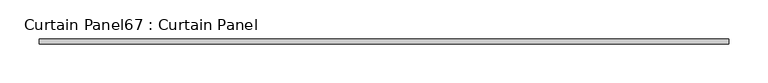
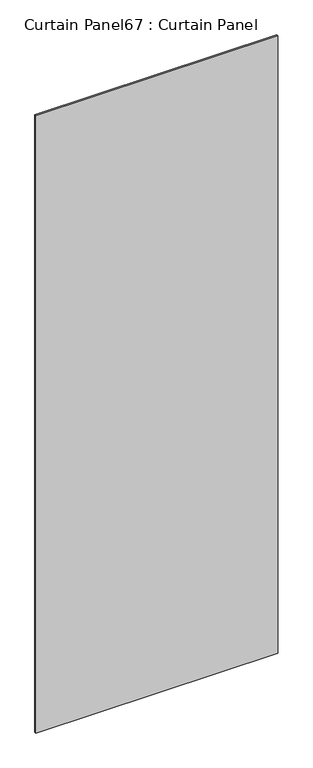
"""IFC4 building model written with IfcOpenShell, lengths in millimetres: plate geometry, Curtain Panel67 : Curtain Panel."""

import ifcopenshell
import ifcopenshell.guid

model = None  # the IFC model being written
_history = None  # IfcOwnerHistory: only IFC2X3 demands one
_inside = {}  # id of a spatial element -> (the spatial element, [elements in it])
_under = {}  # id of a project, library or spatial element -> (it, [spatial elements below it])
_declared = {}  # id of a project -> (the project, [libraries it declares])
_typed = {}  # id of a type object -> (the type object, [elements of that type])
_made_of = {}  # id of a material, layer set ... -> (it, [elements and type objects made of it])


def new_model(schema):
    """Start an empty IFC model of exactly this schema.

    Asked for "IFC4X3", IfcOpenShell would pick the latest addendum, in which some entities
    have other attributes; the version numbers below select the first issue.
    IFC2X3 requires an IfcOwnerHistory on every rooted entity: one is made here for all.
    """
    global model, _history
    if schema == "IFC4X3":
        model = ifcopenshell.file(schema_version=(4, 3, 0, 0))
    else:
        model = ifcopenshell.file(schema=schema)
    _inside.clear()
    _under.clear()
    _declared.clear()
    _typed.clear()
    _made_of.clear()
    _history = None
    if model.schema == "IFC2X3":
        org = make("IfcOrganization", Name="unknown")
        user = make(
            "IfcPersonAndOrganization",
            ThePerson=make("IfcPerson", FamilyName="unknown"),
            TheOrganization=org,
        )
        app = make(
            "IfcApplication",
            ApplicationDeveloper=org,
            Version="unknown",
            ApplicationFullName="unknown",
            ApplicationIdentifier="unknown",
        )
        _history = make(
            "IfcOwnerHistory",
            OwningUser=user,
            OwningApplication=app,
            ChangeAction="ADDED",
            CreationDate=0,
        )
    return model


def make(cls, **values):
    """One entity of the class cls with the attributes given. An attribute that is None is left unset."""
    return model.create_entity(
        cls, **{name: value for name, value in values.items() if value is not None}
    )


def rooted(cls, **values):
    """An entity with a GlobalId (a new one), such as an element, a storey or a relation."""
    return make(cls, GlobalId=ifcopenshell.guid.new(), OwnerHistory=_history, **values)


def si_unit(unit_type, name, prefix=None):
    """IfcSIUnit, for example si_unit("LENGTHUNIT", "METRE", prefix="MILLI")."""
    return make("IfcSIUnit", UnitType=unit_type, Prefix=prefix, Name=name)


def assignment(units):
    """IfcUnitAssignment: the units of a project."""
    return None if units is None else make("IfcUnitAssignment", Units=units)


def point(xyz):
    """IfcCartesianPoint."""
    return None if xyz is None else make("IfcCartesianPoint", Coordinates=xyz)


def direction(xyz):
    """IfcDirection."""
    return None if xyz is None else make("IfcDirection", DirectionRatios=xyz)


def frame(location, z_axis=None, x_axis=None):
    """IfcAxis2Placement3D, a coordinate frame: its origin and axes. An axis left out is left unset."""
    return make(
        "IfcAxis2Placement3D",
        Location=point(location),
        Axis=direction(z_axis),
        RefDirection=direction(x_axis),
    )


def origin():
    """The frame at (0, 0, 0) with its axes left unset."""
    return frame((0.0, 0.0, 0.0))


def place(relative_to, where):
    """IfcLocalPlacement: puts the frame where relative to a parent placement (None: the world)."""
    return make(
        "IfcLocalPlacement", PlacementRelTo=relative_to, RelativePlacement=where
    )


def context(
    kind, dimensions, precision=None, world=None, true_north=None, identifier=None
):
    """IfcGeometricRepresentationContext, for example the 3D "Model" context."""
    return make(
        "IfcGeometricRepresentationContext",
        ContextIdentifier=identifier,
        ContextType=kind,
        CoordinateSpaceDimension=dimensions,
        Precision=precision,
        WorldCoordinateSystem=world,
        TrueNorth=true_north,
    )


def project(units=None, contexts=None):
    """IfcProject with its units and contexts."""
    return rooted(
        "IfcProject",
        Name="project",
        RepresentationContexts=contexts,
        UnitsInContext=assignment(units),
    )


def spatial(cls, under=None, at=None, **own):
    """A site, building, storey or space (cls), placed at a placement, below another one or the project."""
    s = rooted(cls, ObjectPlacement=at, **own)
    if under is not None:
        _under.setdefault(under.id(), (under, []))[1].append(s)
    return s


def polyline(points):
    """IfcPolyline through the points."""
    return make("IfcPolyline", Points=[point(p) for p in points])


def outline(outer, holes=None, kind="AREA"):
    """IfcArbitraryClosedProfileDef: a profile drawn as a closed curve; with holes, ...WithVoids."""
    if holes is None:
        return make("IfcArbitraryClosedProfileDef", ProfileType=kind, OuterCurve=outer)
    return make(
        "IfcArbitraryProfileDefWithVoids",
        ProfileType=kind,
        OuterCurve=outer,
        InnerCurves=holes,
    )


def extrude(swept, where, along, depth):
    """IfcExtrudedAreaSolid: the profile swept, set in the frame where, extruded along a direction by depth."""
    return make(
        "IfcExtrudedAreaSolid",
        SweptArea=swept,
        Position=where,
        ExtrudedDirection=direction(along),
        Depth=depth,
    )


def shape(context_of_items, identifier, shape_type, items):
    """IfcShapeRepresentation: the items that make up one representation, for example the "Body"."""
    return make(
        "IfcShapeRepresentation",
        ContextOfItems=context_of_items,
        RepresentationIdentifier=identifier,
        RepresentationType=shape_type,
        Items=items,
    )


def source(mapping_origin, context_of_items, identifier, shape_type, items):
    """IfcRepresentationMap: a shape defined once, which mapped items show again and again."""
    return make(
        "IfcRepresentationMap",
        MappingOrigin=mapping_origin,
        MappedRepresentation=shape(context_of_items, identifier, shape_type, items),
    )


def transform(
    local_origin,
    x_axis=None,
    y_axis=None,
    z_axis=None,
    scale=None,
    scale2=None,
    scale3=None,
    uniform=True,
):
    """IfcCartesianTransformationOperator3D, or its non-uniform kind. x_axis, y_axis, z_axis: its Axis1, 2, 3."""
    if uniform:
        return make(
            "IfcCartesianTransformationOperator3D",
            Axis1=direction(x_axis),
            Axis2=direction(y_axis),
            LocalOrigin=point(local_origin),
            Scale=scale,
            Axis3=direction(z_axis),
        )
    return make(
        "IfcCartesianTransformationOperator3DnonUniform",
        Axis1=direction(x_axis),
        Axis2=direction(y_axis),
        LocalOrigin=point(local_origin),
        Scale=scale,
        Axis3=direction(z_axis),
        Scale2=scale2,
        Scale3=scale3,
    )


def mapped(mapping_source, mapping_target):
    """IfcMappedItem: shows the shape of a source again, moved by a transform."""
    return make(
        "IfcMappedItem", MappingSource=mapping_source, MappingTarget=mapping_target
    )


def made_of(thing, what):
    """Note that an element or type object is made of a material, layer set ...; save() writes the relation."""
    if what is not None:
        _made_of.setdefault(what.id(), (what, []))[1].append(thing)
    return thing


def element(
    cls,
    number,
    at=None,
    inside=None,
    cuts=None,
    type_object=None,
    material=None,
    context=None,
    identifier="Body",
    shape_type=None,
    held_by="IfcProductDefinitionShape",
    body=None,
    shapes=None,
    **own,
):
    """One element of the class cls, such as IfcWall. Its Tag is "e" and its number.

    at: its placement. inside: the storey or other place that contains it. cuts: it is an
    opening in that element (IfcRelVoidsElement). A single representation is given by context,
    identifier, shape_type and body (its items); several are given by shapes. held_by: the class
    of the entity that holds the representations. save() writes the other relations.
    """
    e = rooted(cls, Tag="e%d" % number, ObjectPlacement=at, **own)
    if body is not None:
        shapes = [shape(context, identifier, shape_type, body)]
    if shapes is not None:
        e.Representation = make(held_by, Representations=shapes)
    if inside is not None:
        _inside.setdefault(inside.id(), (inside, []))[1].append(e)
    if cuts is not None:
        rooted(
            "IfcRelVoidsElement", RelatingBuildingElement=cuts, RelatedOpeningElement=e
        )
    if type_object is not None:
        _typed.setdefault(type_object.id(), (type_object, []))[1].append(e)
    return made_of(e, material)


def aggregate(whole, parts):
    """IfcRelAggregates: a whole, such as a stair, and the parts it consists of."""
    return rooted("IfcRelAggregates", RelatingObject=whole, RelatedObjects=parts)


def save(model, path):
    """Write the relations noted so far, then the file.

    IfcRelAggregates (storeys below a building ...), IfcRelContainedInSpatialStructure (elements
    in a storey), IfcRelDefinesByType, IfcRelAssociatesMaterial and IfcRelDeclares: one each for
    every whole, place, type object, material and project.
    """
    for whole, parts in _under.values():
        aggregate(whole, parts)
    for where, things in _inside.values():
        rooted(
            "IfcRelContainedInSpatialStructure",
            RelatedElements=things,
            RelatingStructure=where,
        )
    for kind, things in _typed.values():
        rooted("IfcRelDefinesByType", RelatedObjects=things, RelatingType=kind)
    for what, things in _made_of.values():
        rooted("IfcRelAssociatesMaterial", RelatedObjects=things, RelatingMaterial=what)
    for by, libraries in _declared.values():
        rooted("IfcRelDeclares", RelatingContext=by, RelatedDefinitions=libraries)
    model.write(path)


def curtain_panel67_curtain_panel_534244bf(model_context):
    return source(origin(), model_context, "Body", "SweptSolid", [
        extrude(outline(polyline([(-32639.8844959, 5641.2311339), (-33522.5344959, 5641.2311339), (-33522.5344959, 5647.5811339), (-32639.8844959, 5647.5811339), (-32639.8844959, 5641.2311339)])), frame((0.0, 0.0, 41.0925072), z_axis=(0.0, 0.0, 1.0), x_axis=(1.0, 0.0, 0.0)), (0.0, 0.0, 1.0), 2381.2419928),
    ])


if __name__ == "__main__":
    model = new_model("IFC4")
    model_context = context("Model", 3, world=origin())
    ifc_project = project(units=[si_unit("LENGTHUNIT", "METRE", prefix="MILLI")], contexts=[model_context])
    site = spatial("IfcSite", under=ifc_project)
    building = spatial("IfcBuilding", under=site)
    placement = place(None, origin())
    curtain_panel67_curtain_panel_shape = curtain_panel67_curtain_panel_534244bf(model_context)
    element("IfcPlate", 1, ObjectType="Curtain Panel67 : Curtain Panel", at=placement, inside=building, context=model_context, shape_type="MappedRepresentation", body=[
        mapped(curtain_panel67_curtain_panel_shape, transform((0.0, 0.0, 0.0), x_axis=(1.0, 0.0, 0.0), y_axis=(0.0, 1.0, 0.0), z_axis=(0.0, 0.0, 1.0))),
    ])
    save(model, "model.ifc")
